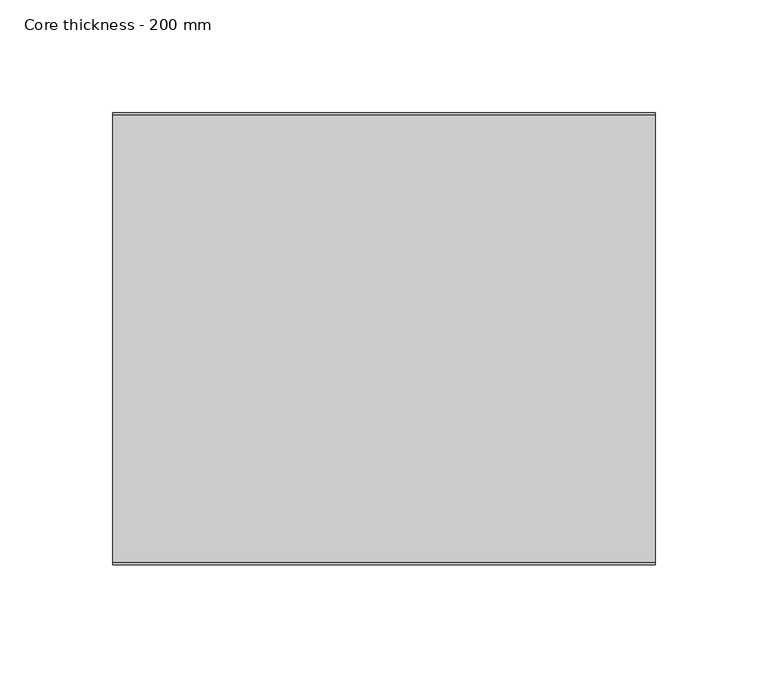
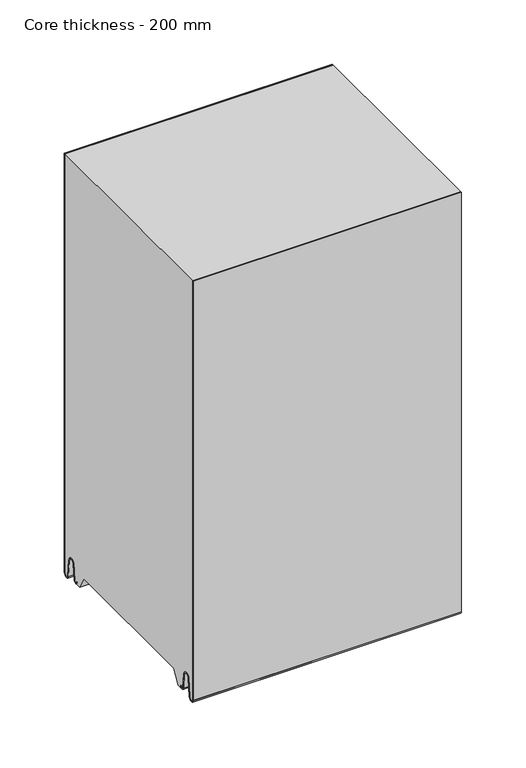
"""IFC4 building model written with IfcOpenShell, lengths in millimetres: plate geometry, Core thickness - 200 mm."""

from ifc_helpers import new_model, si_unit, frame, origin, place, context, project, spatial, polyline, circle_curve, source, transform, mapped, element, save
from ifc_brep_helpers import plane_surface, cylinder_surface, revolved_surface, advanced_brep


def core_thickness_200_mm_c111b574(model_context):
    return source(origin(), model_context, "Body", "AdvancedBrep", [
        advanced_brep(
        [(119.9999998, -199.9996949, 2.9900682), (119.9999998, -193.81449, 2.6875612), (119.9999998, -192.197116, 19.1828169), (119.9999998, -189.1776715, 21.8898782), (119.9999998, -186.1582271, 19.1828169), (119.9999998, -184.7725998, 5.0510966), (119.9999998, -180.3830995, 5.265779), (119.9999998, -181.1830995, 5.265779), (119.9999998, -183.9764178, 5.1291629), (119.9999998, -185.3620451, 19.2608832), (119.9999998, -189.1776715, 22.6899182), (119.9999998, -192.9932979, 19.2608832), (119.9999998, -194.6106719, 2.7656275), (119.9999998, -199.1996949, 2.9900682), (119.9999998, -199.2, 400.0), (119.9999998, -199.9996949, 400.0), (-119.9999998, -199.1996949, 2.9900682), (-119.9999998, -194.6106719, 2.7656275), (-119.9999998, -192.9932979, 19.2608832), (-119.9999998, -189.1776715, 22.6899182), (-119.9999998, -185.3620451, 19.2608832), (-119.9999998, -183.9764178, 5.1291629), (-119.9999998, -181.1830995, 5.265779), (-119.9999998, -180.3830995, 5.265779), (-119.9999998, -184.7725998, 5.0510966), (-119.9999998, -186.1582271, 19.1828169), (-119.9999998, -189.1776715, 21.8898782), (-119.9999998, -192.197116, 19.1828169), (-119.9999998, -193.81449, 2.6875612), (-119.9999998, -199.9996949, 2.9900682), (-119.9999998, -199.9996949, 400.0), (-119.9999998, -199.2, 400.0)],
        [
            (0, 1, circle_curve(frame((119.9999998, -196.8996949, 2.9900682), z_axis=(1.0, 0.0, 0.0), x_axis=(0.0, 0.0, -1.0)), 3.1)),
            (1, 2),
            (2, 3, circle_curve(frame((119.9999998, -189.2114338, 18.8900682), z_axis=(-1.0, 0.0, 0.0), x_axis=(0.0, 0.0, -1.0)), 3.0)),
            (3, 4, circle_curve(frame((119.9999998, -189.1439093, 18.8900682), z_axis=(-1.0, 0.0, 0.0), x_axis=(0.0, 0.0, -1.0)), 3.0)),
            (4, 5),
            (5, 6, circle_curve(frame((119.9999998, -182.5830995, 5.265779), z_axis=(1.0, 0.0, 0.0), x_axis=(0.0, 0.0, -1.0)), 2.2)),
            (6, 7),
            (7, 8, circle_curve(frame((119.9999998, -182.5830995, 5.265779), z_axis=(-1.0, 0.0, 0.0), x_axis=(0.0, 0.0, -1.0)), 1.4)),
            (8, 9),
            (9, 10, circle_curve(frame((119.9999998, -189.1439093, 18.8900682), z_axis=(1.0, 0.0, 0.0), x_axis=(0.0, 0.0, -1.0)), 3.8)),
            (10, 11, circle_curve(frame((119.9999998, -189.2114338, 18.8900682), z_axis=(1.0, 0.0, 0.0), x_axis=(0.0, 0.0, -1.0)), 3.8)),
            (11, 12),
            (12, 13, circle_curve(frame((119.9999998, -196.8996949, 2.9900682), z_axis=(-1.0, 0.0, 0.0), x_axis=(0.0, 0.0, -1.0)), 2.3)),
            (13, 14),
            (14, 15),
            (15, 0),
            (16, 17, circle_curve(frame((-119.9999998, -196.8996949, 2.9900682), z_axis=(1.0, 0.0, 0.0), x_axis=(0.0, 0.0, -1.0)), 2.3)),
            (17, 18),
            (18, 19, circle_curve(frame((-119.9999998, -189.2114338, 18.8900682), z_axis=(-1.0, 0.0, 0.0), x_axis=(0.0, 0.0, -1.0)), 3.8)),
            (19, 20, circle_curve(frame((-119.9999998, -189.1439093, 18.8900682), z_axis=(-1.0, 0.0, 0.0), x_axis=(0.0, 0.0, -1.0)), 3.8)),
            (20, 21),
            (21, 22, circle_curve(frame((-119.9999998, -182.5830995, 5.265779), z_axis=(1.0, 0.0, 0.0), x_axis=(0.0, 0.0, -1.0)), 1.4)),
            (22, 23),
            (23, 24, circle_curve(frame((-119.9999998, -182.5830995, 5.265779), z_axis=(-1.0, 0.0, 0.0), x_axis=(0.0, 0.0, -1.0)), 2.2)),
            (24, 25),
            (25, 26, circle_curve(frame((-119.9999998, -189.1439093, 18.8900682), z_axis=(1.0, 0.0, 0.0), x_axis=(0.0, 0.0, -1.0)), 3.0)),
            (26, 27, circle_curve(frame((-119.9999998, -189.2114338, 18.8900682), z_axis=(1.0, 0.0, 0.0), x_axis=(0.0, 0.0, -1.0)), 3.0)),
            (27, 28),
            (28, 29, circle_curve(frame((-119.9999998, -196.8996949, 2.9900682), z_axis=(-1.0, 0.0, 0.0), x_axis=(0.0, 0.0, -1.0)), 3.1)),
            (29, 30),
            (30, 31),
            (31, 16),
            (13, 16),
            (31, 14),
            (29, 0),
            (15, 30),
            (12, 17),
            (11, 18),
            (10, 19),
            (9, 20),
            (8, 21),
            (7, 22),
            (6, 23),
            (5, 24),
            (4, 25),
            (3, 26),
            (2, 27),
            (1, 28),
        ],
        [
            plane_surface(frame((119.9999998, -200.0, 0.0), z_axis=(1.0, 0.0, 0.0), x_axis=(0.0, 1.0, 0.0))),
            plane_surface(frame((-119.9999998, -200.0, 0.0), z_axis=(-1.0, 0.0, 0.0), x_axis=(0.0, 1.0, 0.0))),
            plane_surface(frame((119.9999998, -199.2, 2.9900682), z_axis=(0.0, 1.0, 0.0), x_axis=(-1.0, 0.0, 0.0))),
            plane_surface(frame((119.9999998, -199.9996949, 1093.8000005), z_axis=(0.0, -1.0, 0.0), x_axis=(-1.0, 0.0, 0.0))),
            revolved_surface(polyline([(-119.9999998, -196.8996949, 0.6900682000000002), (119.9999998, -196.8996949, 0.6900682000000002)]), (119.9999998, -196.8996949, 2.9900682), (-1.0, 0.0, 0.0)),
            plane_surface(frame((119.9999998, -192.9932979, 19.2608832), z_axis=(0.0, -0.9952273999818314, 0.09758289975914787), x_axis=(-1.0, 0.0, 0.0))),
            cylinder_surface(frame((119.9999998, -189.2114338, 18.8900682), z_axis=(1.0, 0.0, 0.0), x_axis=(0.0, 0.0, -1.0)), 3.8),
            cylinder_surface(frame((119.9999998, -189.1439093, 18.8900682), z_axis=(1.0, 0.0, 0.0), x_axis=(0.0, 0.0, -1.0)), 3.8),
            plane_surface(frame((119.9999998, -183.9764178, 5.1291629), z_axis=(0.0, 0.9952273999818297, 0.09758289975916531), x_axis=(-1.0, 0.0, 0.0))),
            revolved_surface(polyline([(-119.9999998, -182.5830995, 3.8657790000000003), (119.9999998, -182.5830995, 3.8657790000000003)]), (119.9999998, -182.5830995, 5.265779), (-1.0, 0.0, 0.0)),
            plane_surface(frame((119.9999998, -180.3830995, 5.265779), z_axis=(0.0, 0.0, 1.0), x_axis=(-1.0, 0.0, 0.0))),
            cylinder_surface(frame((119.9999998, -182.5830995, 5.265779), z_axis=(1.0, 0.0, 0.0), x_axis=(0.0, 0.0, -1.0)), 2.2),
            plane_surface(frame((119.9999998, -186.1582271, 19.1828169), z_axis=(0.0, -0.9952273999818296, -0.09758289975916527), x_axis=(-1.0, 0.0, 0.0))),
            revolved_surface(polyline([(-119.9999998, -189.1439093, 15.890068200000002), (119.9999998, -189.1439093, 15.890068200000002)]), (119.9999998, -189.1439093, 18.8900682), (-1.0, 0.0, 0.0)),
            revolved_surface(polyline([(-119.9999998, -189.2114338, 15.890068200000002), (119.9999998, -189.2114338, 15.890068200000002)]), (119.9999998, -189.2114338, 18.8900682), (-1.0, 0.0, 0.0)),
            plane_surface(frame((119.9999998, -193.81449, 2.6875612), z_axis=(0.0, 0.9952273999818314, -0.09758289975914787), x_axis=(-1.0, 0.0, 0.0))),
            cylinder_surface(frame((119.9999998, -196.8996949, 2.9900682), z_axis=(1.0, 0.0, 0.0), x_axis=(0.0, 0.0, -1.0)), 3.1),
            plane_surface(frame((-119.9999998, 134.0533409, 400.0), z_axis=(0.0, 0.0, 1.0), x_axis=(1.0, 0.0, 0.0))),
        ],
        [
            (0, [[1, 2, 3, 4, 5, 6, 7, 8, 9, 10, 11, 12, 13, 14, 15, 16]]),
            (1, [[17, 18, 19, 20, 21, 22, 23, 24, 25, 26, 27, 28, 29, 30, 31, 32]]),
            (2, [[33, -32, 34, -14]]),
            (3, [[35, -16, 36, -30]]),
            (4, [[-13, 37, -17, -33]]),
            (5, [[-12, 38, -18, -37]]),
            (6, [[-11, 39, -19, -38]]),
            (7, [[-10, 40, -20, -39]]),
            (8, [[-9, 41, -21, -40]]),
            (9, [[-8, 42, -22, -41]]),
            (10, [[-7, 43, -23, -42]]),
            (11, [[-6, 44, -24, -43]]),
            (12, [[-5, 45, -25, -44]]),
            (13, [[-4, 46, -26, -45]]),
            (14, [[-3, 47, -27, -46]]),
            (15, [[-2, 48, -28, -47]]),
            (16, [[-1, -35, -29, -48]]),
            (17, [[-15, -34, -31, -36]]),
        ],
    ),
        advanced_brep(
        [(119.9999998, -0.8003051, 2.9900682), (119.9999998, -5.3893281, 2.7656275), (119.9999998, -7.0067021, 19.2608832), (119.9999998, -10.8223285, 22.6899182), (119.9999998, -14.6379549, 19.2608832), (119.9999998, -16.0235822, 5.1291629), (119.9999998, -18.8169005, 5.265779), (119.9999998, -19.6169005, 5.265779), (119.9999998, -15.2274002, 5.0510966), (119.9999998, -13.8417729, 19.1828169), (119.9999998, -10.8223285, 21.8898782), (119.9999998, -7.802884, 19.1828169), (119.9999998, -6.18551, 2.6875612), (119.9999998, -0.0003051, 2.9900682), (119.9999998, -0.0003051, 400.0), (119.9999998, -0.8, 400.0), (-119.9999998, -0.0003051, 2.9900682), (-119.9999998, -6.18551, 2.6875612), (-119.9999998, -7.802884, 19.1828169), (-119.9999998, -10.8223285, 21.8898782), (-119.9999998, -13.8417729, 19.1828169), (-119.9999998, -15.2274002, 5.0510966), (-119.9999998, -19.6169005, 5.265779), (-119.9999998, -18.8169005, 5.265779), (-119.9999998, -16.0235822, 5.1291629), (-119.9999998, -14.6379549, 19.2608832), (-119.9999998, -10.8223285, 22.6899182), (-119.9999998, -7.0067021, 19.2608832), (-119.9999998, -5.3893281, 2.7656275), (-119.9999998, -0.8003051, 2.9900682), (-119.9999998, -0.8, 400.0), (-119.9999998, -0.0003051, 400.0)],
        [
            (0, 1, circle_curve(frame((119.9999998, -3.1003051, 2.9900682), z_axis=(-1.0, 0.0, 0.0), x_axis=(0.0, 0.0, -1.0)), 2.3)),
            (1, 2),
            (2, 3, circle_curve(frame((119.9999998, -10.7885662, 18.8900682), z_axis=(1.0, 0.0, 0.0), x_axis=(0.0, 0.0, -1.0)), 3.8)),
            (3, 4, circle_curve(frame((119.9999998, -10.8560907, 18.8900682), z_axis=(1.0, 0.0, 0.0), x_axis=(0.0, 0.0, -1.0)), 3.8)),
            (4, 5),
            (5, 6, circle_curve(frame((119.9999998, -17.4169005, 5.265779), z_axis=(-1.0, 0.0, 0.0), x_axis=(0.0, 0.0, -1.0)), 1.4)),
            (6, 7),
            (7, 8, circle_curve(frame((119.9999998, -17.4169005, 5.265779), z_axis=(1.0, 0.0, 0.0), x_axis=(0.0, 0.0, -1.0)), 2.2)),
            (8, 9),
            (9, 10, circle_curve(frame((119.9999998, -10.8560907, 18.8900682), z_axis=(-1.0, 0.0, 0.0), x_axis=(0.0, 0.0, -1.0)), 3.0)),
            (10, 11, circle_curve(frame((119.9999998, -10.7885662, 18.8900682), z_axis=(-1.0, 0.0, 0.0), x_axis=(0.0, 0.0, -1.0)), 3.0)),
            (11, 12),
            (12, 13, circle_curve(frame((119.9999998, -3.1003051, 2.9900682), z_axis=(1.0, 0.0, 0.0), x_axis=(0.0, 0.0, -1.0)), 3.1)),
            (13, 14),
            (14, 15),
            (15, 0),
            (16, 17, circle_curve(frame((-119.9999998, -3.1003051, 2.9900682), z_axis=(-1.0, 0.0, 0.0), x_axis=(0.0, 0.0, -1.0)), 3.1)),
            (17, 18),
            (18, 19, circle_curve(frame((-119.9999998, -10.7885662, 18.8900682), z_axis=(1.0, 0.0, 0.0), x_axis=(0.0, 0.0, -1.0)), 3.0)),
            (19, 20, circle_curve(frame((-119.9999998, -10.8560907, 18.8900682), z_axis=(1.0, 0.0, 0.0), x_axis=(0.0, 0.0, -1.0)), 3.0)),
            (20, 21),
            (21, 22, circle_curve(frame((-119.9999998, -17.4169005, 5.265779), z_axis=(-1.0, 0.0, 0.0), x_axis=(0.0, 0.0, -1.0)), 2.2)),
            (22, 23),
            (23, 24, circle_curve(frame((-119.9999998, -17.4169005, 5.265779), z_axis=(1.0, 0.0, 0.0), x_axis=(0.0, 0.0, -1.0)), 1.4)),
            (24, 25),
            (25, 26, circle_curve(frame((-119.9999998, -10.8560907, 18.8900682), z_axis=(-1.0, 0.0, 0.0), x_axis=(0.0, 0.0, -1.0)), 3.8)),
            (26, 27, circle_curve(frame((-119.9999998, -10.7885662, 18.8900682), z_axis=(-1.0, 0.0, 0.0), x_axis=(0.0, 0.0, -1.0)), 3.8)),
            (27, 28),
            (28, 29, circle_curve(frame((-119.9999998, -3.1003051, 2.9900682), z_axis=(1.0, 0.0, 0.0), x_axis=(0.0, 0.0, -1.0)), 2.3)),
            (29, 30),
            (30, 31),
            (31, 16),
            (13, 16),
            (31, 14),
            (29, 0),
            (15, 30),
            (12, 17),
            (11, 18),
            (10, 19),
            (9, 20),
            (8, 21),
            (7, 22),
            (6, 23),
            (5, 24),
            (4, 25),
            (3, 26),
            (2, 27),
            (1, 28),
        ],
        [
            plane_surface(frame((119.9999998, 0.0, 0.0), z_axis=(1.0, 0.0, 0.0), x_axis=(0.0, -1.0, 0.0))),
            plane_surface(frame((-119.9999998, 0.0, 0.0), z_axis=(-1.0, 0.0, 0.0), x_axis=(0.0, -1.0, 0.0))),
            plane_surface(frame((119.9999998, -0.0003051, 2.9900682), z_axis=(0.0, 1.0, 0.0), x_axis=(-1.0, 0.0, 0.0))),
            plane_surface(frame((119.9999998, -0.8, 1093.8000005), z_axis=(0.0, -1.0, 0.0), x_axis=(-1.0, 0.0, 0.0))),
            cylinder_surface(frame((119.9999998, -3.1003051, 2.9900682), z_axis=(1.0, 0.0, 0.0), x_axis=(0.0, 0.0, -1.0)), 3.1),
            plane_surface(frame((119.9999998, -7.802884, 19.1828169), z_axis=(0.0, -0.9952273999818314, -0.09758289975914787), x_axis=(-1.0, 0.0, 0.0))),
            revolved_surface(polyline([(-119.9999998, -10.7885662, 15.890068200000002), (119.9999998, -10.7885662, 15.890068200000002)]), (119.9999998, -10.7885662, 18.8900682), (-1.0, 0.0, 0.0)),
            revolved_surface(polyline([(-119.9999998, -10.8560907, 15.890068200000002), (119.9999998, -10.8560907, 15.890068200000002)]), (119.9999998, -10.8560907, 18.8900682), (-1.0, 0.0, 0.0)),
            plane_surface(frame((119.9999998, -15.2274002, 5.0510966), z_axis=(0.0, 0.9952273999818296, -0.09758289975916527), x_axis=(-1.0, 0.0, 0.0))),
            cylinder_surface(frame((119.9999998, -17.4169005, 5.265779), z_axis=(1.0, 0.0, 0.0), x_axis=(0.0, 0.0, -1.0)), 2.2),
            plane_surface(frame((119.9999998, -18.8169005, 5.265779), z_axis=(0.0, 0.0, 1.0), x_axis=(-1.0, 0.0, 0.0))),
            revolved_surface(polyline([(-119.9999998, -17.4169005, 3.8657790000000003), (119.9999998, -17.4169005, 3.8657790000000003)]), (119.9999998, -17.4169005, 5.265779), (-1.0, 0.0, 0.0)),
            plane_surface(frame((119.9999998, -14.6379549, 19.2608832), z_axis=(0.0, -0.9952273999818297, 0.09758289975916531), x_axis=(-1.0, 0.0, 0.0))),
            cylinder_surface(frame((119.9999998, -10.8560907, 18.8900682), z_axis=(1.0, 0.0, 0.0), x_axis=(0.0, 0.0, -1.0)), 3.8),
            cylinder_surface(frame((119.9999998, -10.7885662, 18.8900682), z_axis=(1.0, 0.0, 0.0), x_axis=(0.0, 0.0, -1.0)), 3.8),
            plane_surface(frame((119.9999998, -5.3893281, 2.7656275), z_axis=(0.0, 0.9952273999818314, 0.09758289975914787), x_axis=(-1.0, 0.0, 0.0))),
            revolved_surface(polyline([(-119.9999998, -3.1003051, 0.6900682000000002), (119.9999998, -3.1003051, 0.6900682000000002)]), (119.9999998, -3.1003051, 2.9900682), (-1.0, 0.0, 0.0)),
            plane_surface(frame((-119.9999998, 134.0533409, 400.0), z_axis=(0.0, 0.0, 1.0), x_axis=(1.0, 0.0, 0.0))),
        ],
        [
            (0, [[1, 2, 3, 4, 5, 6, 7, 8, 9, 10, 11, 12, 13, 14, 15, 16]]),
            (1, [[17, 18, 19, 20, 21, 22, 23, 24, 25, 26, 27, 28, 29, 30, 31, 32]]),
            (2, [[33, -32, 34, -14]]),
            (3, [[35, -16, 36, -30]]),
            (4, [[-13, 37, -17, -33]]),
            (5, [[-12, 38, -18, -37]]),
            (6, [[-11, 39, -19, -38]]),
            (7, [[-10, 40, -20, -39]]),
            (8, [[-9, 41, -21, -40]]),
            (9, [[-8, 42, -22, -41]]),
            (10, [[-7, 43, -23, -42]]),
            (11, [[-6, 44, -24, -43]]),
            (12, [[-5, 45, -25, -44]]),
            (13, [[-4, 46, -26, -45]]),
            (14, [[-3, 47, -27, -46]]),
            (15, [[-2, 48, -28, -47]]),
            (16, [[-1, -35, -29, -48]]),
            (17, [[-15, -34, -31, -36]]),
        ],
    ),
        advanced_brep(
        [(119.9999998, -169.873448, 15.0417681), (119.9999998, -30.126552, 15.0417681), (119.9999998, -23.4086055, 3.0684055), (119.9999998, -17.4169005, 3.0684055), (119.9999998, -19.6169005, 5.265779), (119.9999998, -18.8169005, 5.265779), (119.9999998, -16.0235822, 5.1291629), (119.9999998, -14.6379549, 19.2608832), (119.9999998, -10.8223285, 22.6899182), (119.9999998, -7.0067021, 19.2608832), (119.9999998, -5.3893281, 2.7656275), (119.9999998, -0.8003051, 2.9900682), (119.9999998, -0.8, 400.0), (119.9999998, -199.2, 400.0), (119.9999998, -199.2, 2.9900682), (119.9999998, -194.6106719, 2.7656275), (119.9999998, -192.9932979, 19.2608832), (119.9999998, -189.1776715, 22.6899182), (119.9999998, -185.3620451, 19.2608832), (119.9999998, -183.9764178, 5.1291629), (119.9999998, -181.1830995, 5.265779), (119.9999998, -180.3830995, 5.265779), (119.9999998, -182.5830995, 3.065779), (119.9999998, -176.5913945, 3.0684055), (-119.9999998, -30.126552, 15.0417681), (-119.9999998, -169.873448, 15.0417681), (-119.9999998, -176.5913945, 3.0684055), (-119.9999998, -182.5830995, 3.0684055), (-119.9999998, -180.3830995, 5.265779), (-119.9999998, -181.1830995, 5.265779), (-119.9999998, -183.9764178, 5.1291629), (-119.9999998, -185.3620451, 19.2608832), (-119.9999998, -189.1776715, 22.6899182), (-119.9999998, -192.9932979, 19.2608832), (-119.9999998, -194.6106719, 2.7656275), (-119.9999998, -199.1996949, 2.9900682), (-119.9999998, -199.2, 400.0), (-119.9999998, -0.8, 400.0), (-119.9999998, -0.8, 2.9900682), (-119.9999998, -5.3893281, 2.7656275), (-119.9999998, -7.0067021, 19.2608832), (-119.9999998, -10.8223285, 22.6899182), (-119.9999998, -14.6379549, 19.2608832), (-119.9999998, -16.0235822, 5.1291629), (-119.9999998, -18.8169005, 5.265779), (-119.9999998, -19.6169005, 5.265779), (-119.9999998, -17.4169005, 3.065779), (-119.9999998, -23.4086055, 3.0684055)],
        [
            (0, 1),
            (1, 2),
            (2, 3),
            (3, 4, circle_curve(frame((119.9999998, -17.4169005, 5.265779), z_axis=(-1.0, 0.0, 0.0), x_axis=(0.0, 0.0, -1.0)), 2.2)),
            (4, 5),
            (5, 6, circle_curve(frame((119.9999998, -17.4169005, 5.265779), z_axis=(1.0, 0.0, 0.0), x_axis=(0.0, 0.0, -1.0)), 1.4)),
            (6, 7),
            (7, 8, circle_curve(frame((119.9999998, -10.8560907, 18.8900682), z_axis=(-1.0, 0.0, 0.0), x_axis=(0.0, 0.0, -1.0)), 3.8)),
            (8, 9, circle_curve(frame((119.9999998, -10.7885662, 18.8900682), z_axis=(-1.0, 0.0, 0.0), x_axis=(0.0, 0.0, -1.0)), 3.8)),
            (9, 10),
            (10, 11, circle_curve(frame((119.9999998, -3.1003051, 2.9900682), z_axis=(1.0, 0.0, 0.0), x_axis=(0.0, 0.0, -1.0)), 2.3)),
            (11, 12),
            (12, 13),
            (13, 14),
            (14, 15, circle_curve(frame((119.9999998, -196.8996949, 2.9900682), z_axis=(1.0, 0.0, 0.0), x_axis=(0.0, 0.0, -1.0)), 2.3)),
            (15, 16),
            (16, 17, circle_curve(frame((119.9999998, -189.2114338, 18.8900682), z_axis=(-1.0, 0.0, 0.0), x_axis=(0.0, 0.0, -1.0)), 3.8)),
            (17, 18, circle_curve(frame((119.9999998, -189.1439093, 18.8900682), z_axis=(-1.0, 0.0, 0.0), x_axis=(0.0, 0.0, -1.0)), 3.8)),
            (18, 19),
            (19, 20, circle_curve(frame((119.9999998, -182.5830995, 5.265779), z_axis=(1.0, 0.0, 0.0), x_axis=(0.0, 0.0, -1.0)), 1.4)),
            (20, 21),
            (21, 22, circle_curve(frame((119.9999998, -182.5830995, 5.265779), z_axis=(-1.0, 0.0, 0.0), x_axis=(0.0, 0.0, -1.0)), 2.2)),
            (22, 23),
            (23, 0),
            (24, 25),
            (25, 26),
            (26, 27),
            (27, 28, circle_curve(frame((-119.9999998, -182.5830995, 5.265779), z_axis=(1.0, 0.0, 0.0), x_axis=(0.0, 0.0, -1.0)), 2.2)),
            (28, 29),
            (29, 30, circle_curve(frame((-119.9999998, -182.5830995, 5.265779), z_axis=(-1.0, 0.0, 0.0), x_axis=(0.0, 0.0, -1.0)), 1.4)),
            (30, 31),
            (31, 32, circle_curve(frame((-119.9999998, -189.1439093, 18.8900682), z_axis=(1.0, 0.0, 0.0), x_axis=(0.0, 0.0, -1.0)), 3.8)),
            (32, 33, circle_curve(frame((-119.9999998, -189.2114338, 18.8900682), z_axis=(1.0, 0.0, 0.0), x_axis=(0.0, 0.0, -1.0)), 3.8)),
            (33, 34),
            (34, 35, circle_curve(frame((-119.9999998, -196.8996949, 2.9900682), z_axis=(-1.0, 0.0, 0.0), x_axis=(0.0, 0.0, -1.0)), 2.3)),
            (35, 36),
            (36, 37),
            (37, 38),
            (38, 39, circle_curve(frame((-119.9999998, -3.1003051, 2.9900682), z_axis=(-1.0, 0.0, 0.0), x_axis=(0.0, 0.0, -1.0)), 2.3)),
            (39, 40),
            (40, 41, circle_curve(frame((-119.9999998, -10.7885662, 18.8900682), z_axis=(1.0, 0.0, 0.0), x_axis=(0.0, 0.0, -1.0)), 3.8)),
            (41, 42, circle_curve(frame((-119.9999998, -10.8560907, 18.8900682), z_axis=(1.0, 0.0, 0.0), x_axis=(0.0, 0.0, -1.0)), 3.8)),
            (42, 43),
            (43, 44, circle_curve(frame((-119.9999998, -17.4169005, 5.265779), z_axis=(-1.0, 0.0, 0.0), x_axis=(0.0, 0.0, -1.0)), 1.4)),
            (44, 45),
            (45, 46, circle_curve(frame((-119.9999998, -17.4169005, 5.265779), z_axis=(1.0, 0.0, 0.0), x_axis=(0.0, 0.0, -1.0)), 2.2)),
            (46, 47),
            (47, 24),
            (1, 24),
            (47, 2),
            (0, 25),
            (23, 26),
            (46, 3),
            (22, 27),
            (35, 14),
            (13, 36),
            (34, 15),
            (33, 16),
            (32, 17),
            (31, 18),
            (30, 19),
            (29, 20),
            (28, 21),
            (12, 37),
            (11, 38),
            (45, 4),
            (44, 5),
            (43, 6),
            (42, 7),
            (41, 8),
            (40, 9),
            (39, 10),
        ],
        [
            plane_surface(frame((119.9999998, 0.0, 0.0), z_axis=(1.0, 0.0, 0.0), x_axis=(0.0, -1.0, 0.0))),
            plane_surface(frame((-119.9999998, 0.0, 0.0), z_axis=(-1.0, 0.0, 0.0), x_axis=(0.0, -1.0, 0.0))),
            plane_surface(frame((119.9999998, -30.126552, 15.0417681), z_axis=(0.0, -0.8721062992196836, -0.4893164649399687), x_axis=(-1.0, 0.0, 0.0))),
            plane_surface(frame((119.9999998, -169.873448, 15.0417681), z_axis=(0.0, 0.0, -1.0), x_axis=(-1.0, 0.0, 0.0))),
            plane_surface(frame((119.9999998, -176.8190247, 2.6627014), z_axis=(0.0, 0.8721062992196872, -0.4893164649399624), x_axis=(-1.0, 0.0, 0.0))),
            plane_surface(frame((-119.9999998, -182.5830995, 3.0684055), z_axis=(0.0, 0.0, -1.0), x_axis=(1.0, 0.0, 0.0))),
            plane_surface(frame((249.9999998, -199.2, 2.9900682), z_axis=(0.0, -1.0, 0.0), x_axis=(-1.0, 0.0, 0.0))),
            cylinder_surface(frame((249.9999998, -196.8996949, 2.9900682), z_axis=(-1.0, 0.0, 0.0), x_axis=(0.0, 0.0, -1.0)), 2.3),
            plane_surface(frame((249.9999998, -192.9932979, 19.2608832), z_axis=(0.0, 0.9952273999818314, -0.09758289975914787), x_axis=(-1.0, 0.0, 0.0))),
            revolved_surface(polyline([(119.99999980000001, -189.2114338, 15.090068200000001), (-119.99999980000001, -189.2114338, 15.090068200000001)]), (249.9999998, -189.2114338, 18.8900682), (1.0, 0.0, 0.0)),
            revolved_surface(polyline([(119.99999980000001, -189.1439093, 15.090068200000001), (-119.99999980000001, -189.1439093, 15.090068200000001)]), (249.9999998, -189.1439093, 18.8900682), (1.0, 0.0, 0.0)),
            plane_surface(frame((249.9999998, -183.9764178, 5.1291629), z_axis=(0.0, -0.9952273999818297, -0.09758289975916531), x_axis=(-1.0, 0.0, 0.0))),
            cylinder_surface(frame((249.9999998, -182.5830995, 5.265779), z_axis=(-1.0, 0.0, 0.0), x_axis=(0.0, 0.0, -1.0)), 1.4),
            plane_surface(frame((249.9999998, -180.3830995, 5.265779), z_axis=(0.0, 0.0, -1.0), x_axis=(-1.0, 0.0, 0.0))),
            revolved_surface(polyline([(119.99999980000001, -182.5830995, 3.065779), (-119.99999980000001, -182.5830995, 3.065779)]), (249.9999998, -182.5830995, 5.265779), (1.0, 0.0, 0.0)),
            plane_surface(frame((-119.9999998, 134.0533409, 400.0), z_axis=(0.0, 0.0, 1.0), x_axis=(1.0, 0.0, 0.0))),
            plane_surface(frame((249.9999998, -0.8, 1093.8000005), z_axis=(0.0, 1.0, 0.0), x_axis=(-1.0, 0.0, 0.0))),
            revolved_surface(polyline([(119.99999980000001, -17.4169005, 3.065779), (-119.99999980000001, -17.4169005, 3.065779)]), (249.9999998, -17.4169005, 5.265779), (1.0, 0.0, 0.0)),
            plane_surface(frame((249.9999998, -18.8169005, 5.265779), z_axis=(0.0, 0.0, -1.0), x_axis=(-1.0, 0.0, 0.0))),
            cylinder_surface(frame((249.9999998, -17.4169005, 5.265779), z_axis=(-1.0, 0.0, 0.0), x_axis=(0.0, 0.0, -1.0)), 1.4),
            plane_surface(frame((249.9999998, -14.6379549, 19.2608832), z_axis=(0.0, 0.9952273999818297, -0.09758289975916531), x_axis=(-1.0, 0.0, 0.0))),
            revolved_surface(polyline([(119.99999980000001, -10.8560907, 15.090068200000001), (-119.99999980000001, -10.8560907, 15.090068200000001)]), (249.9999998, -10.8560907, 18.8900682), (1.0, 0.0, 0.0)),
            revolved_surface(polyline([(119.99999980000001, -10.7885662, 15.090068200000001), (-119.99999980000001, -10.7885662, 15.090068200000001)]), (249.9999998, -10.7885662, 18.8900682), (1.0, 0.0, 0.0)),
            plane_surface(frame((249.9999998, -5.3893281, 2.7656275), z_axis=(0.0, -0.9952273999818314, -0.09758289975914787), x_axis=(-1.0, 0.0, 0.0))),
            cylinder_surface(frame((249.9999998, -3.1003051, 2.9900682), z_axis=(-1.0, 0.0, 0.0), x_axis=(0.0, 0.0, -1.0)), 2.3),
        ],
        [
            (0, [[1, 2, 3, 4, 5, 6, 7, 8, 9, 10, 11, 12, 13, 14, 15, 16, 17, 18, 19, 20, 21, 22, 23, 24]]),
            (1, [[25, 26, 27, 28, 29, 30, 31, 32, 33, 34, 35, 36, 37, 38, 39, 40, 41, 42, 43, 44, 45, 46, 47, 48]]),
            (2, [[49, -48, 50, -2]]),
            (3, [[-1, 51, -25, -49]]),
            (4, [[-51, -24, 52, -26]]),
            (5, [[-3, -50, -47, 53]]),
            (5, [[-23, 54, -27, -52]]),
            (6, [[55, -14, 56, -36]]),
            (7, [[-55, -35, 57, -15]]),
            (8, [[-57, -34, 58, -16]]),
            (9, [[-58, -33, 59, -17]]),
            (10, [[-59, -32, 60, -18]]),
            (11, [[-60, -31, 61, -19]]),
            (12, [[-61, -30, 62, -20]]),
            (13, [[-62, -29, 63, -21]]),
            (14, [[-63, -28, -54, -22]]),
            (15, [[64, -37, -56, -13]]),
            (16, [[65, -38, -64, -12]]),
            (17, [[66, -4, -53, -46]]),
            (18, [[-66, -45, 67, -5]]),
            (19, [[-67, -44, 68, -6]]),
            (20, [[-68, -43, 69, -7]]),
            (21, [[-69, -42, 70, -8]]),
            (22, [[-70, -41, 71, -9]]),
            (23, [[-71, -40, 72, -10]]),
            (24, [[-72, -39, -65, -11]]),
        ],
    ),
    ])


if __name__ == "__main__":
    model = new_model("IFC4")
    model_context = context("Model", 3, world=origin())
    ifc_project = project(units=[si_unit("LENGTHUNIT", "METRE", prefix="MILLI")], contexts=[model_context])
    site = spatial("IfcSite", under=ifc_project)
    building = spatial("IfcBuilding", under=site)
    placement = place(None, origin())
    core_thickness_200_mm_shape = core_thickness_200_mm_c111b574(model_context)
    element("IfcPlate", 1, ObjectType="Core thickness - 200 mm", at=placement, inside=building, context=model_context, shape_type="MappedRepresentation", body=[
        mapped(core_thickness_200_mm_shape, transform((0.0, 0.0, 0.0), x_axis=(1.0, 0.0, 0.0), y_axis=(0.0, 1.0, 0.0), z_axis=(0.0, 0.0, 1.0))),
    ])
    save(model, "model.ifc")
